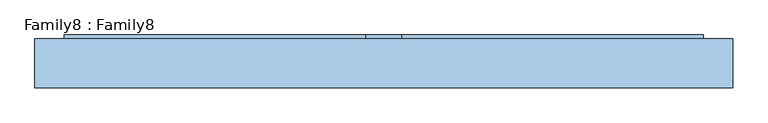
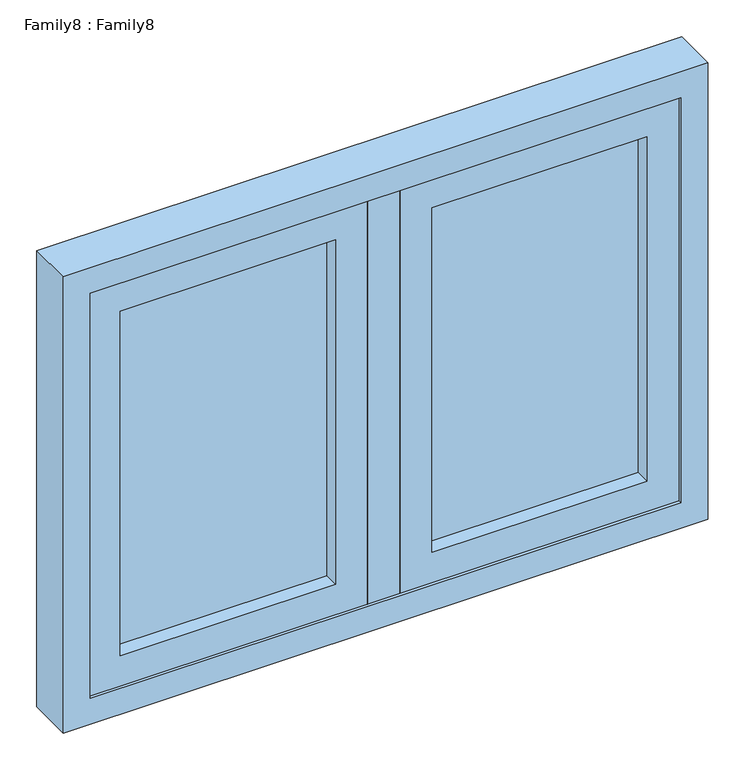
"""IFC4 building model written with IfcOpenShell, lengths in millimetres: window geometry, Family8 : Family8."""

from ifc_helpers import new_model, si_unit, frame, origin, place, context, project, spatial, polyline, outline, extrude, source, transform, mapped, element, save


def family8_family8_704c53d6(model_context):
    return source(origin(), model_context, "Body", "SweptSolid", [
        extrude(outline(polyline([(486.0, 14.0), (486.0, 10.0), (89.0, 10.0), (89.0, 14.0), (486.0, 14.0)])), frame((0.0, 0.0, 909.0), z_axis=(0.0, 0.0, 1.0), x_axis=(1.0, 0.0, 0.0)), (0.0, 0.0, 1.0), 672.0),
        extrude(outline(polyline([(486.0, -10.0), (486.0, -14.0), (89.0, -14.0), (89.0, -10.0), (486.0, -10.0)])), frame((0.0, 0.0, 909.0), z_axis=(0.0, 0.0, 1.0), x_axis=(1.0, 0.0, 0.0)), (0.0, 0.0, 1.0), 672.0),
        extrude(outline(polyline([(-89.0, 14.0), (-89.0, 10.0), (-486.0, 10.0), (-486.0, 14.0), (-89.0, 14.0)])), frame((0.0, 0.0, 909.0), z_axis=(0.0, 0.0, 1.0), x_axis=(1.0, 0.0, 0.0)), (0.0, 0.0, 1.0), 672.0),
        extrude(outline(polyline([(-89.0, -10.0), (-89.0, -14.0), (-486.0, -14.0), (-486.0, -10.0), (-89.0, -10.0)])), frame((0.0, 0.0, 909.0), z_axis=(0.0, 0.0, 1.0), x_axis=(1.0, 0.0, 0.0)), (0.0, 0.0, 1.0), 672.0),
        extrude(outline(polyline([(30.0, -42.0), (-30.0, -42.0), (-30.0, 42.0), (30.0, 42.0), (30.0, -42.0)])), frame((0.0, 0.0, 850.0), z_axis=(0.0, 0.0, 1.0), x_axis=(1.0, 0.0, 0.0)), (0.0, 0.0, 1.0), 790.0),
        extrude(outline(polyline([(1640.0, 545.0), (1640.0, 30.0), (850.0, 30.0), (850.0, 545.0), (1640.0, 545.0)]), holes=[polyline([(909.0, 486.0), (909.0, 89.0), (1581.0, 89.0), (1581.0, 486.0), (909.0, 486.0)])]), frame((0.0, -42.0, 0.0), z_axis=(0.0, 1.0, 0.0), x_axis=(0.0, 0.0, 1.0)), (0.0, 0.0, 1.0), 84.0),
        extrude(outline(polyline([(1640.0, -30.0), (1640.0, -545.0), (850.0, -545.0), (850.0, -30.0), (1640.0, -30.0)]), holes=[polyline([(909.0, -89.0), (909.0, -486.0), (1581.0, -486.0), (1581.0, -89.0), (909.0, -89.0)])]), frame((0.0, -42.0, 0.0), z_axis=(0.0, 1.0, 0.0), x_axis=(0.0, 0.0, 1.0)), (0.0, 0.0, 1.0), 84.0),
        extrude(outline(polyline([(1690.0, 595.0), (1690.0, -595.0), (800.0, -595.0), (800.0, 595.0), (1690.0, 595.0)]), holes=[polyline([(850.0, 545.0), (850.0, -545.0), (1640.0, -545.0), (1640.0, 545.0), (850.0, 545.0)])]), frame((0.0, -48.2132118, 0.0), z_axis=(0.0, 1.0, 0.0), x_axis=(0.0, 0.0, 1.0)), (0.0, 0.0, 1.0), 84.0),
    ])


if __name__ == "__main__":
    model = new_model("IFC4")
    model_context = context("Model", 3, world=origin())
    ifc_project = project(units=[si_unit("LENGTHUNIT", "METRE", prefix="MILLI")], contexts=[model_context])
    site = spatial("IfcSite", under=ifc_project)
    building = spatial("IfcBuilding", under=site)
    placement = place(None, origin())
    family8_family8_shape = family8_family8_704c53d6(model_context)
    element("IfcWindow", 1, ObjectType="Family8 : Family8", at=placement, inside=building, context=model_context, shape_type="MappedRepresentation", body=[
        mapped(family8_family8_shape, transform((0.0, 0.0, 0.0), x_axis=(1.0, 0.0, 0.0), y_axis=(0.0, 1.0, 0.0), z_axis=(0.0, 0.0, 1.0))),
    ])
    save(model, "model.ifc")
